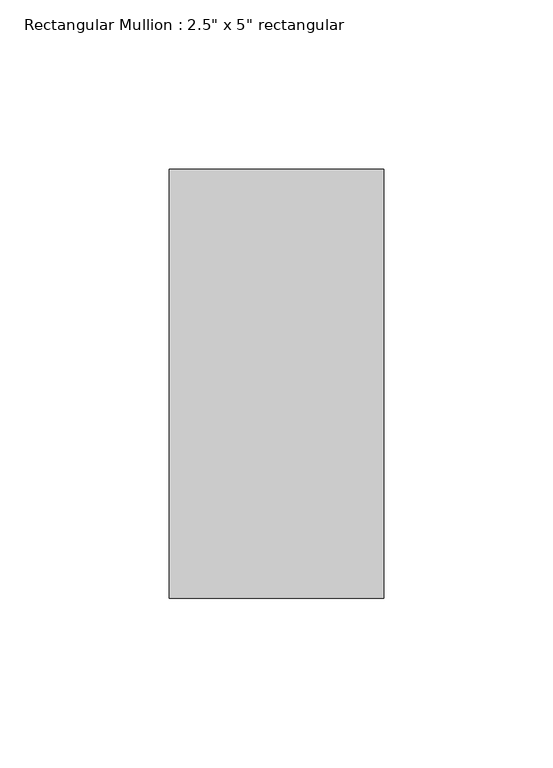
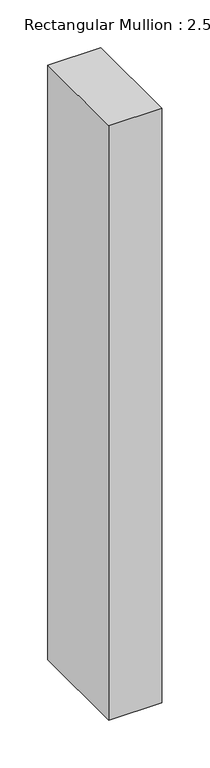
"""IFC4 building model written with IfcOpenShell, lengths in millimetres: member geometry."""

from ifc_helpers import new_model, si_unit, frame, origin, place, context, project, spatial, polyline, outline, extrude, source, transform, mapped, element, save


def member_1d3471b8(model_context):
    return source(origin(), model_context, "Body", "SweptSolid", [
        extrude(outline(polyline([(31.75, 63.5), (31.75, -63.5), (-31.75, -63.5), (-31.75, 63.5), (31.75, 63.5)])), frame((0.0, 0.0, -755.9903926), z_axis=(0.0, 0.0, 1.0), x_axis=(1.0, 0.0, 0.0)), (0.0, 0.0, 1.0), 755.9903926),
    ])


if __name__ == "__main__":
    model = new_model("IFC4")
    model_context = context("Model", 3, world=origin())
    ifc_project = project(units=[si_unit("LENGTHUNIT", "METRE", prefix="MILLI")], contexts=[model_context])
    site = spatial("IfcSite", under=ifc_project)
    building = spatial("IfcBuilding", under=site)
    placement = place(None, origin())
    member_shape = member_1d3471b8(model_context)
    element("IfcMember", 1, ObjectType="Rectangular Mullion : 2.5\" x 5\" rectangular", at=placement, inside=building, context=model_context, shape_type="MappedRepresentation", body=[
        mapped(member_shape, transform((0.0, 0.0, 0.0), x_axis=(1.0, 0.0, 0.0), y_axis=(0.0, 1.0, 0.0), z_axis=(0.0, 0.0, 1.0))),
    ])
    save(model, "model.ifc")
